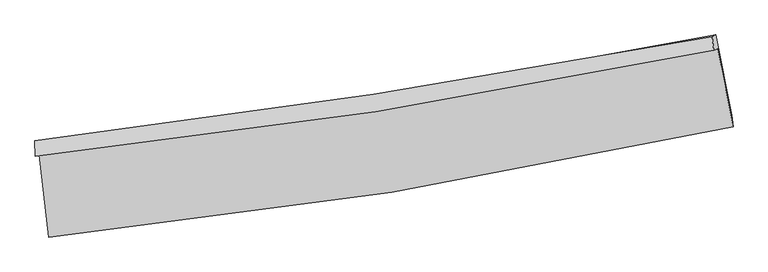
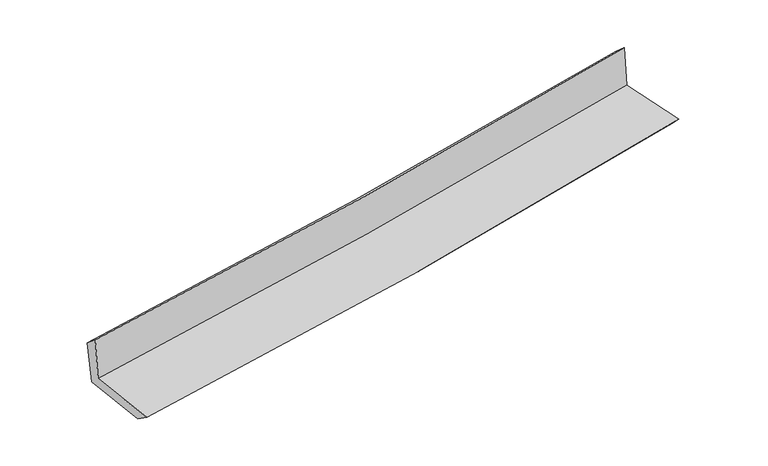
"""IFC4 building model written with IfcOpenShell, lengths in millimetres: proxy geometry."""

from ifc_helpers import new_model, si_unit, frame, origin, place, context, project, spatial, source, transform, mapped, element, save
from ifc_brep_helpers import plane_surface, spline_curve, spline_surface, advanced_brep


def generic_models_8ea2329d(model_context):
    return source(origin(), model_context, "Body", "AdvancedBrep", [
        advanced_brep(
        [(-2806.8693542, -1896.6069979, 1627.2218778), (-2732.6350812, -2572.5163551, 1620.4932843), (2879.9535348, -1668.913134, 2124.0682873), (2752.6028742, -1027.9157948, 2125.8618848), (-2839.4206334, -1909.26742, 2038.0093515), (2721.5505527, -1039.5695698, 2521.7329146), (-2844.2265942, -1784.8413899, 1931.9899519), (2708.4429575, -932.3025476, 2424.6962246), (-2809.8867809, -1798.9550949, 1534.8829703), (2738.1144759, -915.3675655, 2032.773838), (-2739.3925943, -2436.1608003, 1522.3570717), (2869.4046376, -1573.5712536, 2024.7502954)],
        [
            (0, 1),
            (1, 2, spline_curve(3, [(-2732.6350812, -2572.5163551, 1620.4932843), (-1791.510704604, -2478.461267864, 1714.272509674), (-854.121705138, -2356.331610377, 1803.055897468), (1016.769902447, -2055.346511175, 1970.952663972), (1950.243775211, -1876.275094594, 2050.027610605), (2879.9535348, -1668.913134, 2124.0682873)], [4, 2, 4], [0.0, 9.300888148319906, 18.63748307621057])),
            (2, 3),
            (3, 0, spline_curve(3, [(2752.6028742, -1027.9157948, 2125.8618848), (1830.673748877, -1220.259350103, 2056.216604057), (905.526082495, -1388.915456915, 1979.747972195), (-947.655897926, -1678.298357607, 1813.482545828), (-1875.665640976, -1799.205984979, 1723.737842387), (-2806.8693542, -1896.6069979, 1627.2218778)], [4, 2, 4], [0.0, 9.336594927890665, 18.63748307621057])),
            (4, 0),
            (3, 5),
            (5, 4, spline_curve(3, [(2721.5505527, -1039.5695698, 2521.7329146), (1799.724724117, -1231.811745318, 2449.886764306), (874.50321503, -1400.501468216, 2373.567610449), (-979.179770206, -1690.220948867, 2212.292274867), (-1907.61532312, -1811.430509006, 2127.370241347), (-2839.4206334, -1909.26742, 2038.0093515)], [4, 2, 4], [0.0, 9.28841666610589, 18.541310805099968])),
            (6, 4),
            (5, 7),
            (7, 6, spline_curve(3, [(2708.4429575, -932.3025476, 2424.6962246), (1786.152603278, -1104.199261079, 2341.153829171), (861.393732475, -1261.300341267, 2258.246326606), (-989.514962998, -1545.367003217, 2094.015749534), (-1915.645942995, -1672.44553715, 2012.687827807), (-2844.2265942, -1784.8413899, 1931.9899519)], [4, 2, 4], [0.0, 9.279101268443531, 18.52271563548821])),
            (8, 6),
            (7, 9),
            (9, 8, spline_curve(3, [(2738.1144759, -915.3675655, 2032.773838), (1817.571831958, -1102.253224701, 1959.974083508), (894.075658565, -1269.431733351, 1881.993903939), (-955.280641258, -1563.810462471, 1715.990733239), (-1881.118220338, -1691.16113012, 1628.007290403), (-2809.8867809, -1798.9550949, 1534.8829703)], [4, 2, 4], [0.0, 9.270945163795409, 18.506434618316405])),
            (10, 8),
            (9, 11),
            (11, 10, spline_curve(3, [(2869.4046376, -1573.5712536, 2024.7502954), (1936.907018896, -1754.288262016, 1951.038683193), (1002.359048004, -1916.63181147, 1872.226813241), (-867.255682012, -2204.021394566, 1704.723468858), (-1802.306788353, -2329.207694161, 1616.070931549), (-2739.3925943, -2436.1608003, 1522.3570717)], [4, 2, 4], [0.0, 9.318823036529825, 18.60200726013115])),
            (1, 10),
            (11, 2),
        ],
        [
            spline_surface(3, 3, [[(-2806.8693542, -1896.6069979, 1627.2218778), (-1875.665640942, -1799.205985086, 1723.737842357), (-947.655897869, -1678.298357634, 1813.482545915), (905.526082438, -1388.915456888, 1979.747972108), (1830.673748826, -1220.259349982, 2056.216604194), (2752.6028742, -1027.9157948, 2125.8618848)], [(-2782.124596517, -2121.91011697, 1624.979013312), (-1847.613995487, -2025.624412648, 1720.582731461), (-916.477833663, -1904.309441907, 1810.006996407), (942.607355815, -1611.059141631, 1976.816202776), (1870.530424295, -1438.931264901, 2054.153606357), (2795.053094414, -1241.581574532, 2125.264018962)], [(-2757.379838883, -2347.21323603, 1622.736148788), (-1819.56235008, -2252.042840202, 1717.427620529), (-885.299769461, -2130.320526172, 1806.531446868), (979.688629188, -1833.202826364, 1973.884433413), (1910.387099723, -1657.603179822, 2052.090608535), (2837.503314586, -1455.247354268, 2124.666153138)], [(-2732.6350812, -2572.5163551, 1620.4932843), (-1791.510704625, -2478.461267764, 1714.272509633), (-854.121705255, -2356.331610445, 1803.05589736), (1016.769902564, -2055.346511107, 1970.95266408), (1950.243775192, -1876.275094741, 2050.027610697), (2879.9535348, -1668.913134, 2124.0682873)]], [4, 4], [4, 2, 4], [0.0, 2.231089049519883], [0.0, 9.300888148319906, 18.63748307621057]),
            spline_surface(3, 3, [[(-2839.4206334, -1909.26742, 2038.0093515), (-1907.61532312, -1811.430508947, 2127.370241442), (-979.179770181, -1690.220948729, 2212.292275011), (874.503215005, -1400.501468354, 2373.567610304), (1799.724724089, -1231.811745213, 2449.88676445), (2721.5505527, -1039.5695698, 2521.7329146)], [(-2828.570207015, -1905.047279289, 1901.080193608), (-1896.965429076, -1807.355667649, 1992.826108421), (-968.671812727, -1686.246751703, 2079.355698643), (884.844170834, -1396.639464538, 2242.294397569), (1810.04106565, -1227.960946807, 2318.663377725), (2731.901326515, -1035.684978138, 2389.775904694)], [(-2817.719780585, -1900.827138611, 1764.151035692), (-1886.315534986, -1803.280826385, 1858.281975377), (-958.163855324, -1682.27255466, 1946.419122283), (895.18512661, -1392.777460705, 2111.021184843), (1820.357407265, -1224.110148387, 2187.439990919), (2742.252100385, -1031.800386462, 2257.818894706)], [(-2806.8693542, -1896.6069979, 1627.2218778), (-1875.665640942, -1799.205985086, 1723.737842357), (-947.655897869, -1678.298357634, 1813.482545915), (905.526082438, -1388.915456888, 1979.747972108), (1830.673748826, -1220.259349982, 2056.216604194), (2752.6028742, -1027.9157948, 2125.8618848)]], [4, 4], [4, 2, 4], [0.0, 1.304825471761116], [0.0, 9.252894138994078, 18.541310805099968]),
            spline_surface(3, 3, [[(-2844.2265942, -1784.8413899, 1931.9899519), (-1915.645942847, -1672.445537225, 2012.687827721), (-989.514963068, -1545.36700321, 2094.01574939), (861.393732546, -1261.300341274, 2258.246326751), (1786.15260331, -1104.199261146, 2341.153829324), (2708.4429575, -932.3025476, 2424.6962246)], [(-2842.624607257, -1826.31673329, 1967.329751744), (-1912.969069595, -1718.773861156, 2050.915298938), (-986.069898793, -1593.651651708, 2133.44125794), (865.763560012, -1307.700716959, 2296.686754611), (1790.676643573, -1146.736755817, 2377.398141005), (2712.812155903, -968.058221649, 2457.041787906)], [(-2841.022620343, -1867.79207661, 2002.669551656), (-1910.292196372, -1765.102185016, 2089.142770225), (-982.624834457, -1641.936300231, 2172.866766461), (870.133387539, -1354.101092669, 2335.127182443), (1795.200683826, -1189.274250542, 2413.642452768), (2717.181354297, -1003.813895751, 2489.387351294)], [(-2839.4206334, -1909.26742, 2038.0093515), (-1907.61532312, -1811.430508947, 2127.370241442), (-979.179770181, -1690.220948729, 2212.292275011), (874.503215005, -1400.501468354, 2373.567610304), (1799.724724089, -1231.811745213, 2449.88676445), (2721.5505527, -1039.5695698, 2521.7329146)]], [4, 4], [4, 2, 4], [0.0, 0.6044844330774412], [0.0, 9.24361436704468, 18.52271563548821]),
            spline_surface(3, 3, [[(-2809.8867809, -1798.9550949, 1534.8829703), (-1881.118220361, -1691.161130078, 1628.00729026), (-955.280641335, -1563.810462432, 1715.990733224), (894.075658643, -1269.431733391, 1881.993903955), (1817.571831854, -1102.253224555, 1959.974083554), (2738.1144759, -915.3675655, 2032.773838)], [(-2821.333385332, -1794.250526544, 1667.251964195), (-1892.627461188, -1684.922599105, 1756.234136109), (-966.692081904, -1557.662642703, 1841.999071939), (883.181683286, -1266.721269363, 2007.411378213), (1807.098755671, -1102.90190341, 2087.033998834), (2728.223969766, -921.012559524, 2163.414633557)], [(-2832.779989768, -1789.545958256, 1799.620958005), (-1904.13670202, -1678.684068199, 1884.460981872), (-978.103522499, -1551.514822939, 1968.007410675), (872.287707903, -1264.010805301, 2132.828852492), (1796.625679492, -1103.550582291, 2214.093914044), (2718.333463634, -926.657553576, 2294.055429043)], [(-2844.2265942, -1784.8413899, 1931.9899519), (-1915.645942847, -1672.445537225, 2012.687827721), (-989.514963068, -1545.36700321, 2094.01574939), (861.393732546, -1261.300341274, 2258.246326751), (1786.15260331, -1104.199261146, 2341.153829324), (2708.4429575, -932.3025476, 2424.6962246)]], [4, 4], [4, 2, 4], [0.0, 1.2429420984334647], [0.0, 9.235489454520996, 18.506434618316405]),
            spline_surface(3, 3, [[(-2739.3925943, -2436.1608003, 1522.3570717), (-1802.306788281, -2329.207694028, 1616.070931396), (-867.255682005, -2204.021394571, 1704.723469012), (1002.359047997, -1916.631811466, 1872.226813087), (1936.90701903, -1754.28826206, 1951.038683333), (2869.4046376, -1573.5712536, 2024.7502954)], [(-2762.890656514, -2223.758898495, 1526.532371235), (-1828.577265655, -2116.52550604, 1620.049717686), (-896.597335104, -1990.617750514, 1708.479223743), (966.26458489, -1700.898452097, 1875.482510036), (1897.12862331, -1536.943249579, 1954.017150057), (2825.641250372, -1354.170024254, 2027.424809583)], [(-2786.388718686, -2011.356996705, 1530.707670765), (-1854.847742988, -1903.843318067, 1624.028503971), (-925.938988237, -1777.214106489, 1712.234978493), (930.170121749, -1485.16509276, 1878.738207005), (1857.350227574, -1319.598237036, 1956.99561683), (2781.877863128, -1134.768794846, 2030.099323817)], [(-2809.8867809, -1798.9550949, 1534.8829703), (-1881.118220361, -1691.161130078, 1628.00729026), (-955.280641335, -1563.810462432, 1715.990733224), (894.075658643, -1269.431733391, 1881.993903955), (1817.571831854, -1102.253224555, 1959.974083554), (2738.1144759, -915.3675655, 2032.773838)]], [4, 4], [4, 2, 4], [0.0, 2.1366466987301695], [0.0, 9.283184223601324, 18.60200726013115]),
            spline_surface(3, 3, [[(-2732.6350812, -2572.5163551, 1620.4932843), (-1791.510704625, -2478.461267764, 1714.272509633), (-854.121705255, -2356.331610445, 1803.05589736), (1016.769902564, -2055.346511107, 1970.95266408), (1950.243775192, -1876.275094741, 2050.027610697), (2879.9535348, -1668.913134, 2124.0682873)], [(-2734.887585565, -2527.064503512, 1587.781213407), (-1795.109399176, -2428.710076531, 1681.538650195), (-858.499697524, -2305.561538486, 1770.278421241), (1011.966284357, -2009.108277892, 1938.044047079), (1945.798189801, -1835.612817183, 2017.031301574), (2876.437235729, -1637.132507202, 2090.962289999)], [(-2737.140089935, -2481.612651888, 1555.069142593), (-1798.70809373, -2378.958885261, 1648.804790835), (-862.877689737, -2254.79146653, 1737.500945131), (1007.162666205, -1962.870044681, 1905.135430088), (1941.352604422, -1794.950539618, 1984.034992456), (2872.920936671, -1605.351880398, 2057.856292701)], [(-2739.3925943, -2436.1608003, 1522.3570717), (-1802.306788281, -2329.207694028, 1616.070931396), (-867.255682005, -2204.021394571, 1704.723469012), (1002.359047997, -1916.631811466, 1872.226813087), (1936.90701903, -1754.28826206, 1951.038683333), (2869.4046376, -1573.5712536, 2024.7502954)]], [4, 4], [4, 2, 4], [0.0, 0.5782488494707332], [0.0, 9.33922484932369, 18.714303655574795]),
            plane_surface(frame((2778.3448388, -1192.9399775, 2208.9805741), z_axis=(0.9775390964054693, 0.19398282815871618, 0.08238918241082882), x_axis=(-0.075421625697386, -0.04304679867687181, 0.9962221396359531))),
            plane_surface(frame((-2795.405173, -2066.391343, 1712.4924179), z_axis=(-0.9907765508245205, -0.10800104442392766, -0.08183887059098019), x_axis=(-0.10916693186190815, 0.9939741808297603, 0.00989488916888865))),
        ],
        [
            (0, [[1, 2, 3, 4]]),
            (1, [[5, -4, 6, 7]]),
            (2, [[8, -7, 9, 10]]),
            (3, [[11, -10, 12, 13]]),
            (4, [[14, -13, 15, 16]]),
            (5, [[17, -16, 18, -2]]),
            (6, [[-12, -9, -6, -3, -18, -15]]),
            (7, [[-1, -5, -8, -11, -14, -17]]),
        ],
    ),
    ])


if __name__ == "__main__":
    model = new_model("IFC4")
    model_context = context("Model", 3, world=origin())
    ifc_project = project(units=[si_unit("LENGTHUNIT", "METRE", prefix="MILLI")], contexts=[model_context])
    site = spatial("IfcSite", under=ifc_project)
    building = spatial("IfcBuilding", under=site)
    placement = place(None, origin())
    generic_models_shape = generic_models_8ea2329d(model_context)
    element("IfcBuildingElementProxy", 1, Name="Generic Models", at=placement, inside=building, context=model_context, shape_type="MappedRepresentation", body=[
        mapped(generic_models_shape, transform((0.0, 0.0, 0.0), x_axis=(1.0, 0.0, 0.0), y_axis=(0.0, 1.0, 0.0), z_axis=(0.0, 0.0, 1.0))),
    ])
    save(model, "model.ifc")
